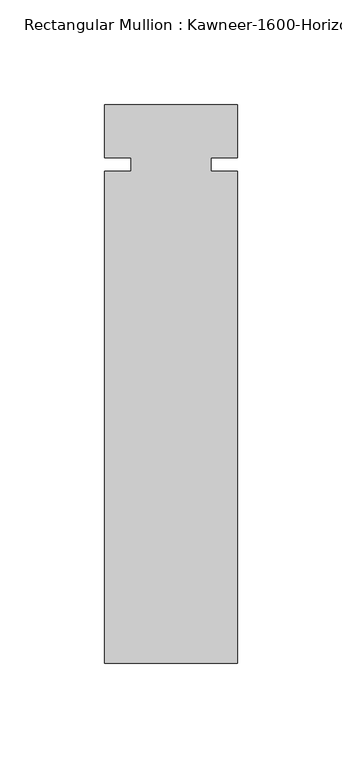
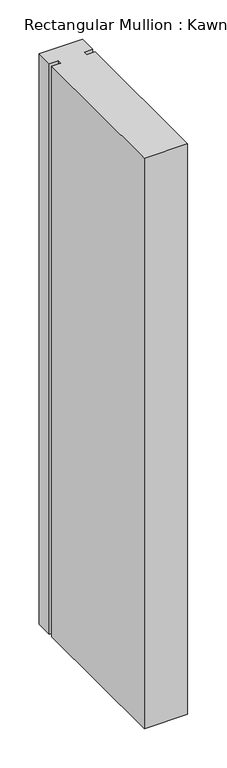
"""IFC4 building model written with IfcOpenShell, lengths in millimetres: member geometry."""

from ifc_helpers import new_model, si_unit, frame, origin, place, context, project, spatial, polyline, outline, extrude, source, transform, mapped, element, save


def member_318af4ca(model_context):
    return source(origin(), model_context, "Body", "SweptSolid", [
        extrude(outline(polyline([(31.75, -238.125), (-31.75, -238.125), (-31.75, -3.175), (-19.05, -3.175), (-19.05, 3.175), (-31.75, 3.175), (-31.75, 28.575), (31.75, 28.575), (31.75, 3.175), (19.05, 3.175), (19.05, -3.175), (31.75, -3.175), (31.75, -238.125)])), frame((0.0, 0.0, -882.65), z_axis=(0.0, 0.0, 1.0), x_axis=(1.0, 0.0, 0.0)), (0.0, 0.0, 1.0), 882.65),
    ])


if __name__ == "__main__":
    model = new_model("IFC4")
    model_context = context("Model", 3, world=origin())
    ifc_project = project(units=[si_unit("LENGTHUNIT", "METRE", prefix="MILLI")], contexts=[model_context])
    site = spatial("IfcSite", under=ifc_project)
    building = spatial("IfcBuilding", under=site)
    placement = place(None, origin())
    member_shape = member_318af4ca(model_context)
    element("IfcMember", 1, ObjectType="Rectangular Mullion : Kawneer-1600-Horizontal_Interior-System1-10_1/2\"-1/4\"Infill", at=placement, inside=building, context=model_context, shape_type="MappedRepresentation", body=[
        mapped(member_shape, transform((0.0, 0.0, 0.0), x_axis=(1.0, 0.0, 0.0), y_axis=(0.0, 1.0, 0.0), z_axis=(0.0, 0.0, 1.0))),
    ])
    save(model, "model.ifc")
